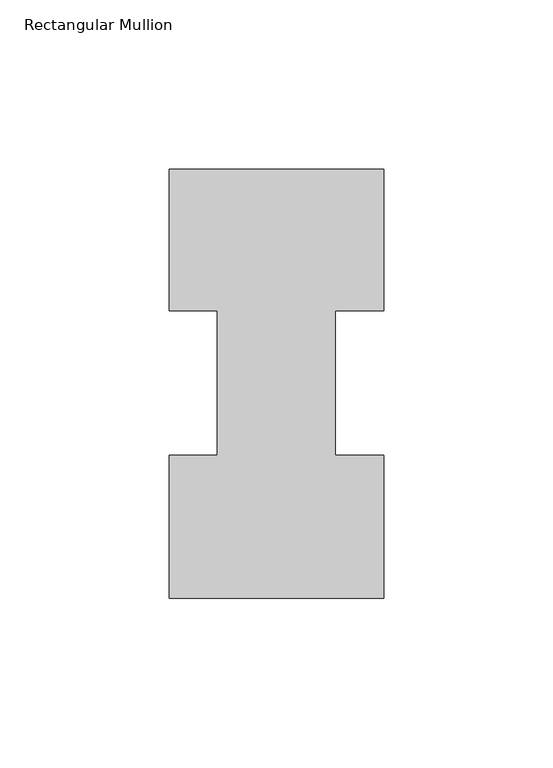
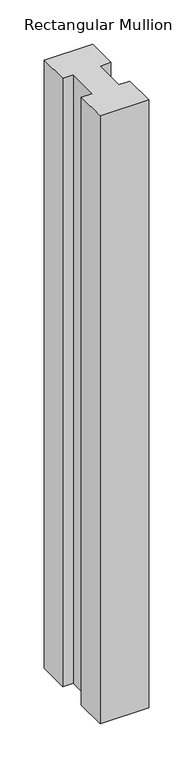
"""IFC4 building model written with IfcOpenShell, lengths in millimetres: member geometry, Rectangular Mullion."""

from ifc_helpers import new_model, si_unit, frame, origin, place, context, project, spatial, polyline, outline, extrude, source, transform, mapped, element, save


def rectangular_mullion_5a1713c6(model_context):
    return source(origin(), model_context, "Body", "SweptSolid", [
        extrude(outline(polyline([(31.75, 133.6365437), (31.75, 91.7773438), (17.4625, 91.7773438), (17.4625, 48.9275438), (31.75, 48.9275438), (31.75, 6.6365438), (-31.75, 6.6365438), (-31.75, 48.9275438), (-17.4625, 48.9275438), (-17.4625, 91.7773438), (-31.75, 91.7773438), (-31.75, 133.6365437), (31.75, 133.6365437)])), frame((0.0, 0.0, -842.38538), z_axis=(0.0, 0.0, 1.0), x_axis=(1.0, 0.0, 0.0)), (0.0, 0.0, 1.0), 842.38538),
    ])


if __name__ == "__main__":
    model = new_model("IFC4")
    model_context = context("Model", 3, world=origin())
    ifc_project = project(units=[si_unit("LENGTHUNIT", "METRE", prefix="MILLI")], contexts=[model_context])
    site = spatial("IfcSite", under=ifc_project)
    building = spatial("IfcBuilding", under=site)
    placement = place(None, origin())
    rectangular_mullion_shape = rectangular_mullion_5a1713c6(model_context)
    element("IfcMember", 1, ObjectType="Rectangular Mullion", at=placement, inside=building, context=model_context, shape_type="MappedRepresentation", body=[
        mapped(rectangular_mullion_shape, transform((0.0, 0.0, 0.0), x_axis=(1.0, 0.0, 0.0), y_axis=(0.0, 1.0, 0.0), z_axis=(0.0, 0.0, 1.0))),
    ])
    save(model, "model.ifc")
